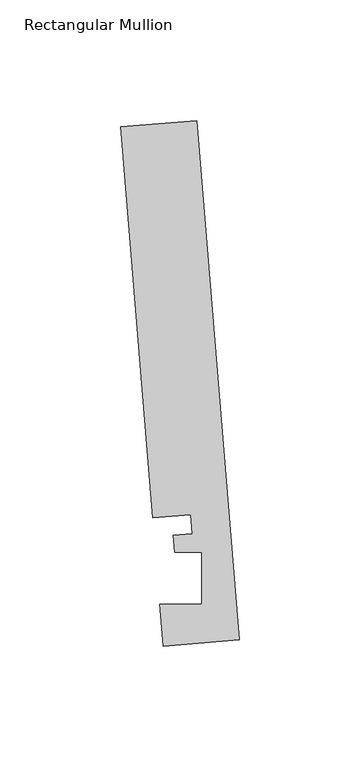
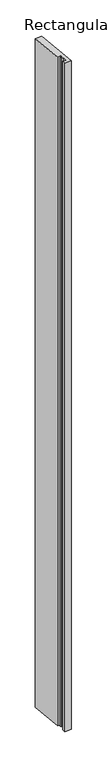
"""IFC4 building model written with IfcOpenShell, lengths in millimetres: member geometry, Rectangular Mullion."""

from ifc_helpers import new_model, si_unit, frame, origin, place, context, project, spatial, polyline, outline, extrude, source, transform, mapped, element, save


def rectangular_mullion_643d132e(model_context):
    return source(origin(), model_context, "Body", "SweptSolid", [
        extrude(outline(polyline([(-0.2190396, 2.6699364), (-31.8627302, 0.0739116), (-33.2772473, 17.315866), (-15.8506254, 17.315866), (-15.848851, 38.9474576), (-27.100463, 38.9474576), (-27.6861262, 46.0862742), (-19.7625461, 46.7363188), (-20.4084371, 54.6092691), (-36.2302824, 53.3112566), (-49.5364672, 215.5041572), (-17.8927766, 218.100182), (-0.2190396, 2.6699364)])), frame((0.0, 0.0, -3374.5543152), z_axis=(0.0, 0.0, 1.0), x_axis=(1.0, 0.0, 0.0)), (0.0, 0.0, 1.0), 3374.5543152),
    ])


if __name__ == "__main__":
    model = new_model("IFC4")
    model_context = context("Model", 3, world=origin())
    ifc_project = project(units=[si_unit("LENGTHUNIT", "METRE", prefix="MILLI")], contexts=[model_context])
    site = spatial("IfcSite", under=ifc_project)
    building = spatial("IfcBuilding", under=site)
    placement = place(None, origin())
    rectangular_mullion_shape = rectangular_mullion_643d132e(model_context)
    element("IfcMember", 1, ObjectType="Rectangular Mullion", at=placement, inside=building, context=model_context, shape_type="MappedRepresentation", body=[
        mapped(rectangular_mullion_shape, transform((0.0, 0.0, 0.0), x_axis=(1.0, 0.0, 0.0), y_axis=(0.0, 1.0, 0.0), z_axis=(0.0, 0.0, 1.0))),
    ])
    save(model, "model.ifc")
